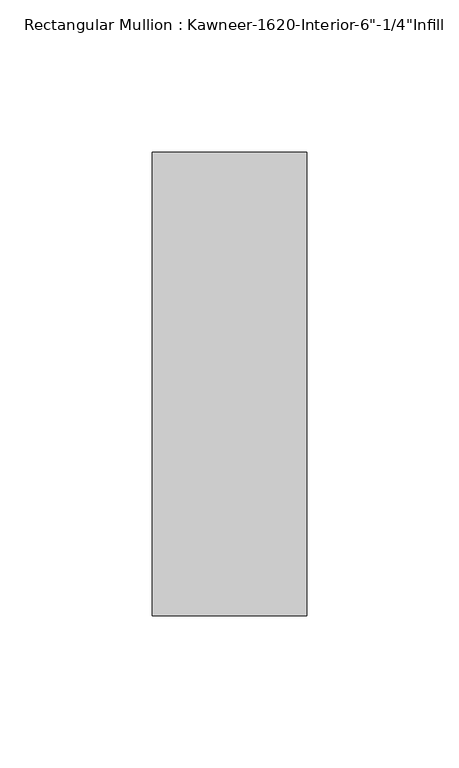
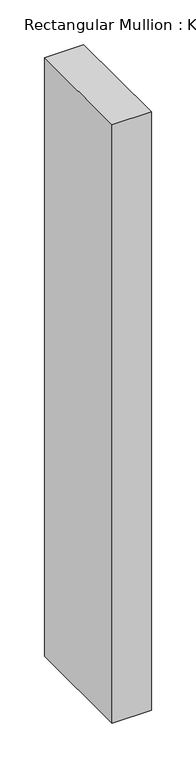
"""IFC4 building model written with IfcOpenShell, lengths in millimetres: member geometry."""

from ifc_helpers import new_model, si_unit, frame, origin, place, context, project, spatial, polyline, outline, extrude, source, transform, mapped, element, save


def member_60b3ae3d(model_context):
    return source(origin(), model_context, "Body", "SweptSolid", [
        extrude(outline(polyline([(25.4, -123.825), (-25.4, -123.825), (-25.4, 28.575), (25.4, 28.575), (25.4, -123.825)])), frame((0.0, 0.0, -820.0182369), z_axis=(0.0, 0.0, 1.0), x_axis=(1.0, 0.0, 0.0)), (0.0, 0.0, 1.0), 820.0182369),
    ])


if __name__ == "__main__":
    model = new_model("IFC4")
    model_context = context("Model", 3, world=origin())
    ifc_project = project(units=[si_unit("LENGTHUNIT", "METRE", prefix="MILLI")], contexts=[model_context])
    site = spatial("IfcSite", under=ifc_project)
    building = spatial("IfcBuilding", under=site)
    placement = place(None, origin())
    member_shape = member_60b3ae3d(model_context)
    element("IfcMember", 1, ObjectType="Rectangular Mullion : Kawneer-1620-Interior-6\"-1/4\"Infill", at=placement, inside=building, context=model_context, shape_type="MappedRepresentation", body=[
        mapped(member_shape, transform((0.0, 0.0, 0.0), x_axis=(1.0, 0.0, 0.0), y_axis=(0.0, 1.0, 0.0), z_axis=(0.0, 0.0, 1.0))),
    ])
    save(model, "model.ifc")
